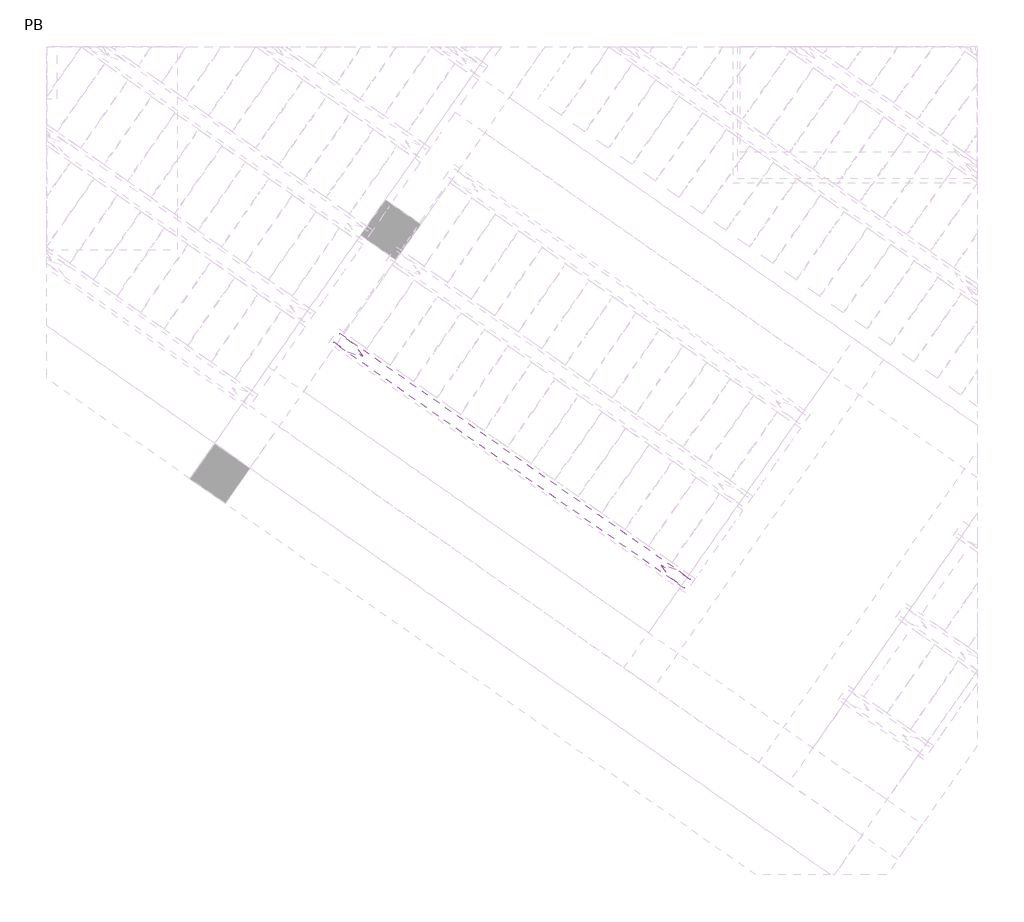
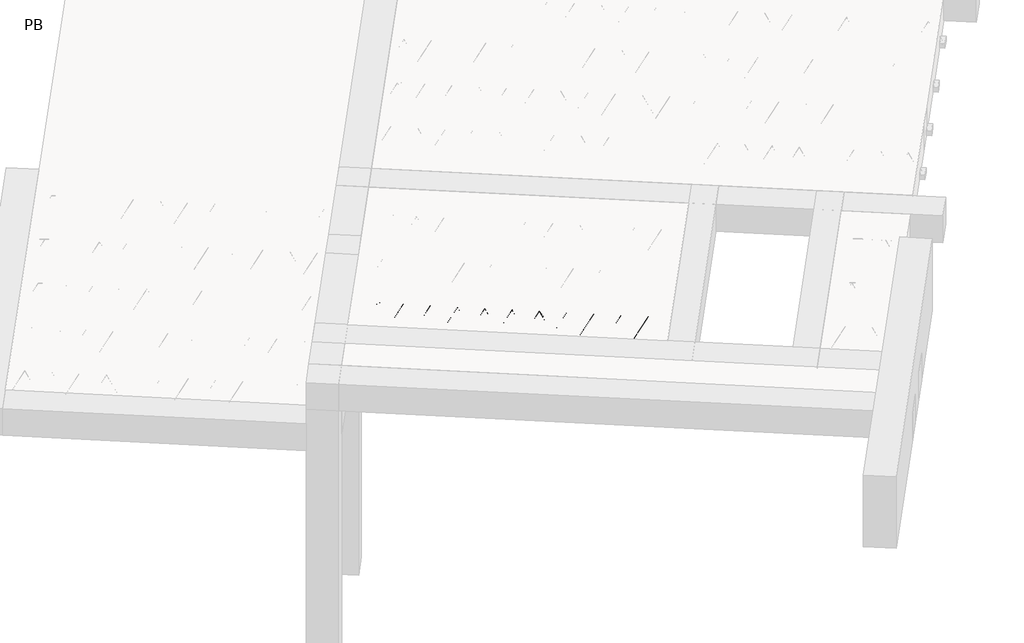
# One storey, part 7 of 56: 1 beam.
"""IFC4 building model written with IfcOpenShell, lengths in millimetres."""

from ifc_helpers import new_model, si_unit, point, frame, origin, origin_2d, place, context, project, spatial, circle_curve, trimmed, segment, composite_curve, outline, extrude, element, save

model = new_model("IFC4")

# Units and contexts
model_context = context("Model", 3, world=origin())
ifc_project = project(units=[si_unit("LENGTHUNIT", "METRE", prefix="MILLI")], contexts=[model_context])

# Site, building, storey
site = spatial("IfcSite", under=ifc_project)
building = spatial("IfcBuilding", under=site)
storey = spatial("IfcBuildingStorey", under=building, Name="PB", Elevation=95940.0)

# Beam
placement = place(None, origin())
element("IfcBeam", 1, at=placement, inside=storey, context=model_context, shape_type="SweptSolid", body=[
    extrude(outline(composite_curve([segment(trimmed(circle_curve(origin_2d(), 2.5), [point((-2.5, 0.0))], [point((2.5, 0.0))], False, "CARTESIAN"), True, "CONTINUOUS"), segment(trimmed(circle_curve(origin_2d(), 2.5), [point((2.5, 0.0))], [point((-2.5, 0.0))], False, "CARTESIAN"), True, "CONTINUOUS")], self_intersect=False)), frame((4194.1130554, -233.610133, 99245.0), z_axis=(-0.8191520442696126, 0.5735764363787226, 0.0), x_axis=(0.5735764363787226, 0.8191520442696126, 0.0)), (0.0, 0.0, 1.0), 2987.184468),
    extrude(outline(composite_curve([segment(trimmed(circle_curve(origin_2d(), 2.5), [point((-2.5, 0.0))], [point((2.5, 0.0))], False, "CARTESIAN"), True, "CONTINUOUS"), segment(trimmed(circle_curve(origin_2d(), 2.5), [point((2.5, 0.0))], [point((-2.5, 0.0))], False, "CARTESIAN"), True, "CONTINUOUS")], self_intersect=False)), frame((4056.1803327, -93.0807156, 99470.0), z_axis=(-0.8191520442696126, 0.5735764363787226, 0.0), x_axis=(0.5735764363787226, 0.8191520442696126, 0.0)), (0.0, 0.0, 1.0), 2600.0),
    extrude(outline(composite_curve([segment(trimmed(circle_curve(origin_2d(), 2.5), [point((-2.5000001, 1e-07))], [point((2.5, 0.0))], False, "CARTESIAN"), True, "CONTINUOUS"), segment(trimmed(circle_curve(origin_2d(), 2.5), [point((2.5, 0.0))], [point((-2.5000001, 1e-07))], False, "CARTESIAN"), True, "CONTINUOUS")], self_intersect=False)), frame((4096.9679844, -165.5884219, 99245.0), z_axis=(-0.3145304735701046, 0.38933448886848654, 0.8657304643902053), x_axis=(0.7778747638402499, 0.6284193279813057, 0.0)), (0.0, 0.0, 1.0), 259.8961331),
    extrude(outline(composite_curve([segment(trimmed(circle_curve(origin_2d(), 2.5), [point((2.5, 0.0))], [point((-2.5, 0.0))], False, "CARTESIAN"), True, "CONTINUOUS"), segment(trimmed(circle_curve(origin_2d(), 2.5), [point((-2.5, 0.0))], [point((2.5, 0.0))], False, "CARTESIAN"), True, "CONTINUOUS")], self_intersect=False)), frame((3892.1799733, -22.1943128, 99245.0), z_axis=(0.47343050384693375, -0.16240172737369005, 0.8657304643902051), x_axis=(-0.3244721671091268, -0.9458952440791246, 0.0)), (0.0, 0.0, 1.0), 259.8961331),
    extrude(outline(composite_curve([segment(trimmed(circle_curve(origin_2d(), 2.5), [point((-2.5, 0.0))], [point((2.5, 0.0))], False, "CARTESIAN"), True, "CONTINUOUS"), segment(trimmed(circle_curve(origin_2d(), 2.5), [point((2.5, 0.0))], [point((-2.5, 0.0))], False, "CARTESIAN"), True, "CONTINUOUS")], self_intersect=False)), frame((3892.1799733, -22.1943128, 99245.0), z_axis=(-0.3145304735701046, 0.38933448886848654, 0.8657304643902053), x_axis=(0.7778747638402499, 0.6284193279813057, 0.0)), (0.0, 0.0, 1.0), 259.8961331),
    extrude(outline(composite_curve([segment(trimmed(circle_curve(origin_2d(), 2.5), [point((2.5, 0.0))], [point((-2.5, 0.0))], False, "CARTESIAN"), True, "CONTINUOUS"), segment(trimmed(circle_curve(origin_2d(), 2.5), [point((-2.5, 0.0))], [point((2.5, 0.0))], False, "CARTESIAN"), True, "CONTINUOUS")], self_intersect=False)), frame((3687.3919622, 121.1997963, 99245.0), z_axis=(0.47343050384693375, -0.16240172737369005, 0.8657304643902051), x_axis=(-0.3244721671091268, -0.9458952440791246, 0.0)), (0.0, 0.0, 1.0), 259.8961331),
    extrude(outline(composite_curve([segment(trimmed(circle_curve(origin_2d(), 2.5), [point((-2.5, 0.0))], [point((2.5, 0.0))], False, "CARTESIAN"), True, "CONTINUOUS"), segment(trimmed(circle_curve(origin_2d(), 2.5), [point((2.5, 0.0))], [point((-2.5, 0.0))], False, "CARTESIAN"), True, "CONTINUOUS")], self_intersect=False)), frame((3687.3919622, 121.1997963, 99245.0), z_axis=(-0.3145304735701046, 0.38933448886848654, 0.8657304643902053), x_axis=(0.7778747638402499, 0.6284193279813057, 0.0)), (0.0, 0.0, 1.0), 259.8961331),
    extrude(outline(composite_curve([segment(trimmed(circle_curve(origin_2d(), 2.5), [point((2.5, -1e-07))], [point((-2.5, 0.0))], False, "CARTESIAN"), True, "CONTINUOUS"), segment(trimmed(circle_curve(origin_2d(), 2.5), [point((-2.5, 0.0))], [point((2.5, -1e-07))], False, "CARTESIAN"), True, "CONTINUOUS")], self_intersect=False)), frame((3482.6039512, 264.5939054, 99245.0), z_axis=(0.47343050384693375, -0.16240172737369005, 0.8657304643902051), x_axis=(-0.3244721671091268, -0.9458952440791246, 0.0)), (0.0, 0.0, 1.0), 259.8961331),
    extrude(outline(composite_curve([segment(trimmed(circle_curve(origin_2d(), 2.5), [point((-2.5, -1e-07))], [point((2.5000001, -1e-07))], False, "CARTESIAN"), True, "CONTINUOUS"), segment(trimmed(circle_curve(origin_2d(), 2.5), [point((2.5000001, -1e-07))], [point((-2.5, -1e-07))], False, "CARTESIAN"), True, "CONTINUOUS")], self_intersect=False)), frame((3482.6039511, 264.5939054, 99245.0), z_axis=(-0.3145304735701046, 0.38933448886848654, 0.8657304643902053), x_axis=(0.7778747638402499, 0.6284193279813057, 0.0)), (0.0, 0.0, 1.0), 259.8961331),
    extrude(outline(composite_curve([segment(trimmed(circle_curve(origin_2d(), 2.5), [point((2.5, 0.0))], [point((-2.5, 0.0))], False, "CARTESIAN"), True, "CONTINUOUS"), segment(trimmed(circle_curve(origin_2d(), 2.5), [point((-2.5, 0.0))], [point((2.5, 0.0))], False, "CARTESIAN"), True, "CONTINUOUS")], self_intersect=False)), frame((3277.8159401, 407.9880145, 99245.0), z_axis=(0.47343050384693375, -0.16240172737369005, 0.8657304643902051), x_axis=(-0.3244721671091268, -0.9458952440791246, 0.0)), (0.0, 0.0, 1.0), 259.8961331),
    extrude(outline(composite_curve([segment(trimmed(circle_curve(origin_2d(), 2.5), [point((-2.5, 0.0))], [point((2.5000001, 0.0))], False, "CARTESIAN"), True, "CONTINUOUS"), segment(trimmed(circle_curve(origin_2d(), 2.5), [point((2.5000001, 0.0))], [point((-2.5, 0.0))], False, "CARTESIAN"), True, "CONTINUOUS")], self_intersect=False)), frame((3277.8159402, 407.9880143, 99245.0), z_axis=(-0.3145304735701046, 0.38933448886848654, 0.8657304643902053), x_axis=(0.7778747638402499, 0.6284193279813057, 0.0)), (0.0, 0.0, 1.0), 259.8961331),
    extrude(outline(composite_curve([segment(trimmed(circle_curve(origin_2d(), 2.5), [point((2.5, 0.0))], [point((-2.5000001, 0.0))], False, "CARTESIAN"), True, "CONTINUOUS"), segment(trimmed(circle_curve(origin_2d(), 2.5), [point((-2.5000001, 0.0))], [point((2.5, 0.0))], False, "CARTESIAN"), True, "CONTINUOUS")], self_intersect=False)), frame((3073.0279292, 551.3821234, 99245.0), z_axis=(0.47343050384693375, -0.16240172737369005, 0.8657304643902051), x_axis=(-0.3244721671091268, -0.9458952440791246, 0.0)), (0.0, 0.0, 1.0), 259.8961331),
    extrude(outline(composite_curve([segment(trimmed(circle_curve(origin_2d(), 2.5), [point((-2.5, 0.0))], [point((2.5, 1e-07))], False, "CARTESIAN"), True, "CONTINUOUS"), segment(trimmed(circle_curve(origin_2d(), 2.5), [point((2.5, 1e-07))], [point((-2.5, 0.0))], False, "CARTESIAN"), True, "CONTINUOUS")], self_intersect=False)), frame((3073.0279292, 551.3821234, 99245.0), z_axis=(-0.3145304735701046, 0.38933448886848654, 0.8657304643902053), x_axis=(0.7778747638402499, 0.6284193279813057, 0.0)), (0.0, 0.0, 1.0), 259.8961331),
    extrude(outline(composite_curve([segment(trimmed(circle_curve(origin_2d(), 2.5), [point((2.5, 0.0))], [point((-2.5, 0.0))], False, "CARTESIAN"), True, "CONTINUOUS"), segment(trimmed(circle_curve(origin_2d(), 2.5), [point((-2.5, 0.0))], [point((2.5, 0.0))], False, "CARTESIAN"), True, "CONTINUOUS")], self_intersect=False)), frame((2868.2399181, 694.7762325, 99245.0), z_axis=(0.47343050384693375, -0.16240172737369005, 0.8657304643902051), x_axis=(-0.3244721671091268, -0.9458952440791246, 0.0)), (0.0, 0.0, 1.0), 259.8961331),
    extrude(outline(composite_curve([segment(trimmed(circle_curve(origin_2d(), 2.5), [point((-2.5, 0.0))], [point((2.5, 1e-07))], False, "CARTESIAN"), True, "CONTINUOUS"), segment(trimmed(circle_curve(origin_2d(), 2.5), [point((2.5, 1e-07))], [point((-2.5, 0.0))], False, "CARTESIAN"), True, "CONTINUOUS")], self_intersect=False)), frame((2868.2399181, 694.7762325, 99245.0), z_axis=(-0.3145304735701046, 0.38933448886848654, 0.8657304643902053), x_axis=(0.7778747638402499, 0.6284193279813057, 0.0)), (0.0, 0.0, 1.0), 259.8961331),
    extrude(outline(composite_curve([segment(trimmed(circle_curve(origin_2d(), 2.5), [point((2.5, 0.0))], [point((-2.5, 1e-07))], False, "CARTESIAN"), True, "CONTINUOUS"), segment(trimmed(circle_curve(origin_2d(), 2.5), [point((-2.5, 1e-07))], [point((2.5, 0.0))], False, "CARTESIAN"), True, "CONTINUOUS")], self_intersect=False)), frame((2663.451907, 838.1703416, 99245.0), z_axis=(0.47343050384693375, -0.16240172737369005, 0.8657304643902051), x_axis=(-0.3244721671091268, -0.9458952440791246, 0.0)), (0.0, 0.0, 1.0), 259.8961331),
    extrude(outline(composite_curve([segment(trimmed(circle_curve(origin_2d(), 2.5), [point((-2.5, 0.0))], [point((2.5000001, 0.0))], False, "CARTESIAN"), True, "CONTINUOUS"), segment(trimmed(circle_curve(origin_2d(), 2.5), [point((2.5000001, 0.0))], [point((-2.5, 0.0))], False, "CARTESIAN"), True, "CONTINUOUS")], self_intersect=False)), frame((2663.451907, 838.1703416, 99245.0), z_axis=(-0.3145304735701046, 0.38933448886848654, 0.8657304643902053), x_axis=(0.7778747638402499, 0.6284193279813057, 0.0)), (0.0, 0.0, 1.0), 259.8961331),
    extrude(outline(composite_curve([segment(trimmed(circle_curve(origin_2d(), 2.5), [point((2.5, 0.0))], [point((-2.5, 0.0))], False, "CARTESIAN"), True, "CONTINUOUS"), segment(trimmed(circle_curve(origin_2d(), 2.5), [point((-2.5, 0.0))], [point((2.5, 0.0))], False, "CARTESIAN"), True, "CONTINUOUS")], self_intersect=False)), frame((2458.663896, 981.5644507, 99245.0), z_axis=(0.47343050384693375, -0.16240172737369005, 0.8657304643902051), x_axis=(-0.3244721671091268, -0.9458952440791246, 0.0)), (0.0, 0.0, 1.0), 259.8961331),
    extrude(outline(composite_curve([segment(trimmed(circle_curve(origin_2d(), 2.5), [point((-2.5, 0.0))], [point((2.5, 0.0))], False, "CARTESIAN"), True, "CONTINUOUS"), segment(trimmed(circle_curve(origin_2d(), 2.5), [point((2.5, 0.0))], [point((-2.5, 0.0))], False, "CARTESIAN"), True, "CONTINUOUS")], self_intersect=False)), frame((2458.663896, 981.5644507, 99245.0), z_axis=(-0.3145304735701046, 0.38933448886848654, 0.8657304643902053), x_axis=(0.7778747638402499, 0.6284193279813057, 0.0)), (0.0, 0.0, 1.0), 259.8961331),
    extrude(outline(composite_curve([segment(trimmed(circle_curve(origin_2d(), 2.5), [point((2.5, 0.0))], [point((-2.5, 0.0))], False, "CARTESIAN"), True, "CONTINUOUS"), segment(trimmed(circle_curve(origin_2d(), 2.5), [point((-2.5, 0.0))], [point((2.5, 0.0))], False, "CARTESIAN"), True, "CONTINUOUS")], self_intersect=False)), frame((2253.8758849, 1124.9585598, 99245.0), z_axis=(0.47343050384693375, -0.16240172737369005, 0.8657304643902051), x_axis=(-0.3244721671091268, -0.9458952440791246, 0.0)), (0.0, 0.0, 1.0), 259.8961331),
    extrude(outline(composite_curve([segment(trimmed(circle_curve(origin_2d(), 2.5), [point((-2.5, 0.0))], [point((2.5, 0.0))], False, "CARTESIAN"), True, "CONTINUOUS"), segment(trimmed(circle_curve(origin_2d(), 2.5), [point((2.5, 0.0))], [point((-2.5, 0.0))], False, "CARTESIAN"), True, "CONTINUOUS")], self_intersect=False)), frame((2253.8758849, 1124.9585598, 99245.0), z_axis=(-0.3145304735701046, 0.38933448886848654, 0.8657304643902053), x_axis=(0.7778747638402499, 0.6284193279813057, 0.0)), (0.0, 0.0, 1.0), 259.8961331),
    extrude(outline(composite_curve([segment(trimmed(circle_curve(origin_2d(), 2.5), [point((2.5, 0.0))], [point((-2.5, 1e-07))], False, "CARTESIAN"), True, "CONTINUOUS"), segment(trimmed(circle_curve(origin_2d(), 2.5), [point((-2.5, 1e-07))], [point((2.5, 0.0))], False, "CARTESIAN"), True, "CONTINUOUS")], self_intersect=False)), frame((2049.0878738, 1268.3526689, 99245.0), z_axis=(0.47343050384693375, -0.16240172737369005, 0.8657304643902051), x_axis=(-0.3244721671091268, -0.9458952440791246, 0.0)), (0.0, 0.0, 1.0), 259.8961331),
    extrude(outline(composite_curve([segment(trimmed(circle_curve(origin_2d(), 2.5), [point((-2.5, 0.0))], [point((2.5000001, -1e-07))], False, "CARTESIAN"), True, "CONTINUOUS"), segment(trimmed(circle_curve(origin_2d(), 2.5), [point((2.5000001, -1e-07))], [point((-2.5, 0.0))], False, "CARTESIAN"), True, "CONTINUOUS")], self_intersect=False)), frame((2049.0878738, 1268.3526689, 99245.0), z_axis=(-0.3145304735701046, 0.38933448886848654, 0.8657304643902053), x_axis=(0.7778747638402499, 0.6284193279813057, 0.0)), (0.0, 0.0, 1.0), 259.8961331),
    extrude(outline(composite_curve([segment(trimmed(circle_curve(origin_2d(), 2.5), [point((2.5, 0.0))], [point((-2.5, 0.0))], False, "CARTESIAN"), True, "CONTINUOUS"), segment(trimmed(circle_curve(origin_2d(), 2.5), [point((-2.5, 0.0))], [point((2.5, 0.0))], False, "CARTESIAN"), True, "CONTINUOUS")], self_intersect=False)), frame((1844.2998628, 1411.746778, 99245.0), z_axis=(0.47343050384693375, -0.16240172737369005, 0.8657304643902051), x_axis=(-0.3244721671091268, -0.9458952440791246, 0.0)), (0.0, 0.0, 1.0), 259.8961331),
    extrude(outline(composite_curve([segment(trimmed(circle_curve(origin_2d(), 2.5), [point((-2.4999999, 0.0))], [point((2.5, 0.0))], False, "CARTESIAN"), True, "CONTINUOUS"), segment(trimmed(circle_curve(origin_2d(), 2.5), [point((2.5, 0.0))], [point((-2.4999999, 0.0))], False, "CARTESIAN"), True, "CONTINUOUS")], self_intersect=False)), frame((4235.4105588, -174.6311858, 99245.0), z_axis=(-0.8191520442696126, 0.5735764363787226, 0.0), x_axis=(0.5735764363787226, 0.8191520442696126, 0.0)), (0.0, 0.0, 1.0), 2987.184468),
    extrude(outline(composite_curve([segment(trimmed(circle_curve(origin_2d(), 2.5), [point((-2.5, 0.0))], [point((2.5, 0.0))], False, "CARTESIAN"), True, "CONTINUOUS"), segment(trimmed(circle_curve(origin_2d(), 2.5), [point((2.5, 0.0))], [point((-2.5, 0.0))], False, "CARTESIAN"), True, "CONTINUOUS")], self_intersect=False)), frame((4138.2654878, -106.6094747, 99245.0), z_axis=(-0.47343050384693375, 0.16240172737369005, 0.8657304643902051), x_axis=(0.3244721671091268, 0.9458952440791246, 0.0)), (0.0, 0.0, 1.0), 259.8961331),
    extrude(outline(composite_curve([segment(trimmed(circle_curve(origin_2d(), 2.5), [point((2.5, 1e-07))], [point((-2.5, 0.0))], False, "CARTESIAN"), True, "CONTINUOUS"), segment(trimmed(circle_curve(origin_2d(), 2.5), [point((-2.5, 0.0))], [point((2.5, 1e-07))], False, "CARTESIAN"), True, "CONTINUOUS")], self_intersect=False)), frame((3933.4774767, 36.7846344, 99245.0), z_axis=(0.3145304735701046, -0.38933448886848654, 0.8657304643902053), x_axis=(-0.7778747638402499, -0.6284193279813057, 0.0)), (0.0, 0.0, 1.0), 259.8961331),
    extrude(outline(composite_curve([segment(trimmed(circle_curve(origin_2d(), 2.5), [point((-2.5, 0.0))], [point((2.5, 0.0))], False, "CARTESIAN"), True, "CONTINUOUS"), segment(trimmed(circle_curve(origin_2d(), 2.5), [point((2.5, 0.0))], [point((-2.5, 0.0))], False, "CARTESIAN"), True, "CONTINUOUS")], self_intersect=False)), frame((3933.4774767, 36.7846344, 99245.0), z_axis=(-0.47343050384693375, 0.16240172737369005, 0.8657304643902051), x_axis=(0.3244721671091268, 0.9458952440791246, 0.0)), (0.0, 0.0, 1.0), 259.8961331),
    extrude(outline(composite_curve([segment(trimmed(circle_curve(origin_2d(), 2.5), [point((2.5, 1e-07))], [point((-2.5, 0.0))], False, "CARTESIAN"), True, "CONTINUOUS"), segment(trimmed(circle_curve(origin_2d(), 2.5), [point((-2.5, 0.0))], [point((2.5, 1e-07))], False, "CARTESIAN"), True, "CONTINUOUS")], self_intersect=False)), frame((3728.6894656, 180.1787435, 99245.0), z_axis=(0.3145304735701046, -0.38933448886848654, 0.8657304643902053), x_axis=(-0.7778747638402499, -0.6284193279813057, 0.0)), (0.0, 0.0, 1.0), 259.8961331),
    extrude(outline(composite_curve([segment(trimmed(circle_curve(origin_2d(), 2.5), [point((-2.5, 0.0))], [point((2.5, -1e-07))], False, "CARTESIAN"), True, "CONTINUOUS"), segment(trimmed(circle_curve(origin_2d(), 2.5), [point((2.5, -1e-07))], [point((-2.5, 0.0))], False, "CARTESIAN"), True, "CONTINUOUS")], self_intersect=False)), frame((3728.6894656, 180.1787435, 99245.0), z_axis=(-0.47343050384693375, 0.16240172737369005, 0.8657304643902051), x_axis=(0.3244721671091268, 0.9458952440791246, 0.0)), (0.0, 0.0, 1.0), 259.8961331),
    extrude(outline(composite_curve([segment(trimmed(circle_curve(origin_2d(), 2.5), [point((2.5, 1e-07))], [point((-2.5, 0.0))], False, "CARTESIAN"), True, "CONTINUOUS"), segment(trimmed(circle_curve(origin_2d(), 2.5), [point((-2.5, 0.0))], [point((2.5, 1e-07))], False, "CARTESIAN"), True, "CONTINUOUS")], self_intersect=False)), frame((3523.9014546, 323.5728526, 99245.0), z_axis=(0.3145304735701046, -0.38933448886848654, 0.8657304643902053), x_axis=(-0.7778747638402499, -0.6284193279813057, 0.0)), (0.0, 0.0, 1.0), 259.8961331),
    extrude(outline(composite_curve([segment(trimmed(circle_curve(origin_2d(), 2.5), [point((-2.5000001, 0.0))], [point((2.5, 0.0))], False, "CARTESIAN"), True, "CONTINUOUS"), segment(trimmed(circle_curve(origin_2d(), 2.5), [point((2.5, 0.0))], [point((-2.5000001, 0.0))], False, "CARTESIAN"), True, "CONTINUOUS")], self_intersect=False)), frame((3523.9014546, 323.5728526, 99245.0), z_axis=(-0.47343050384693375, 0.16240172737369005, 0.8657304643902051), x_axis=(0.3244721671091268, 0.9458952440791246, 0.0)), (0.0, 0.0, 1.0), 259.8961331),
    extrude(outline(composite_curve([segment(trimmed(circle_curve(origin_2d(), 2.5), [point((2.5, 0.0))], [point((-2.5, -1e-07))], False, "CARTESIAN"), True, "CONTINUOUS"), segment(trimmed(circle_curve(origin_2d(), 2.5), [point((-2.5, -1e-07))], [point((2.5, 0.0))], False, "CARTESIAN"), True, "CONTINUOUS")], self_intersect=False)), frame((3319.1134435, 466.9669616, 99245.0), z_axis=(0.3145304735701046, -0.38933448886848654, 0.8657304643902053), x_axis=(-0.7778747638402499, -0.6284193279813057, 0.0)), (0.0, 0.0, 1.0), 259.8961331),
    extrude(outline(composite_curve([segment(trimmed(circle_curve(origin_2d(), 2.5), [point((-2.5, 1e-07))], [point((2.5, 0.0))], False, "CARTESIAN"), True, "CONTINUOUS"), segment(trimmed(circle_curve(origin_2d(), 2.5), [point((2.5, 0.0))], [point((-2.5, 1e-07))], False, "CARTESIAN"), True, "CONTINUOUS")], self_intersect=False)), frame((3319.1134437, 466.9669615, 99245.0), z_axis=(-0.47343050384693375, 0.16240172737369005, 0.8657304643902051), x_axis=(0.3244721671091268, 0.9458952440791246, 0.0)), (0.0, 0.0, 1.0), 259.8961331),
    extrude(outline(composite_curve([segment(trimmed(circle_curve(origin_2d(), 2.5), [point((2.5, 0.0))], [point((-2.5, 0.0))], False, "CARTESIAN"), True, "CONTINUOUS"), segment(trimmed(circle_curve(origin_2d(), 2.5), [point((-2.5, 0.0))], [point((2.5, 0.0))], False, "CARTESIAN"), True, "CONTINUOUS")], self_intersect=False)), frame((3114.3254326, 610.3610706, 99245.0), z_axis=(0.3145304735701046, -0.38933448886848654, 0.8657304643902053), x_axis=(-0.7778747638402499, -0.6284193279813057, 0.0)), (0.0, 0.0, 1.0), 259.8961331),
    extrude(outline(composite_curve([segment(trimmed(circle_curve(origin_2d(), 2.5), [point((-2.5, 0.0))], [point((2.5, 0.0))], False, "CARTESIAN"), True, "CONTINUOUS"), segment(trimmed(circle_curve(origin_2d(), 2.5), [point((2.5, 0.0))], [point((-2.5, 0.0))], False, "CARTESIAN"), True, "CONTINUOUS")], self_intersect=False)), frame((3114.3254326, 610.3610706, 99245.0), z_axis=(-0.47343050384693375, 0.16240172737369005, 0.8657304643902051), x_axis=(0.3244721671091268, 0.9458952440791246, 0.0)), (0.0, 0.0, 1.0), 259.8961331),
    extrude(outline(composite_curve([segment(trimmed(circle_curve(origin_2d(), 2.5), [point((2.5, 0.0))], [point((-2.5, 0.0))], False, "CARTESIAN"), True, "CONTINUOUS"), segment(trimmed(circle_curve(origin_2d(), 2.5), [point((-2.5, 0.0))], [point((2.5, 0.0))], False, "CARTESIAN"), True, "CONTINUOUS")], self_intersect=False)), frame((2909.5374215, 753.7551797, 99245.0), z_axis=(0.3145304735701046, -0.38933448886848654, 0.8657304643902053), x_axis=(-0.7778747638402499, -0.6284193279813057, 0.0)), (0.0, 0.0, 1.0), 259.8961331),
    extrude(outline(composite_curve([segment(trimmed(circle_curve(origin_2d(), 2.5), [point((-2.5, 0.0))], [point((2.5, 0.0))], False, "CARTESIAN"), True, "CONTINUOUS"), segment(trimmed(circle_curve(origin_2d(), 2.5), [point((2.5, 0.0))], [point((-2.5, 0.0))], False, "CARTESIAN"), True, "CONTINUOUS")], self_intersect=False)), frame((2909.5374215, 753.7551797, 99245.0), z_axis=(-0.47343050384693375, 0.16240172737369005, 0.8657304643902051), x_axis=(0.3244721671091268, 0.9458952440791246, 0.0)), (0.0, 0.0, 1.0), 259.8961331),
    extrude(outline(composite_curve([segment(trimmed(circle_curve(origin_2d(), 2.5), [point((2.5, 0.0))], [point((-2.5, 0.0))], False, "CARTESIAN"), True, "CONTINUOUS"), segment(trimmed(circle_curve(origin_2d(), 2.5), [point((-2.5, 0.0))], [point((2.5, 0.0))], False, "CARTESIAN"), True, "CONTINUOUS")], self_intersect=False)), frame((2704.7494105, 897.1492888, 99245.0), z_axis=(0.3145304735701046, -0.38933448886848654, 0.8657304643902053), x_axis=(-0.7778747638402499, -0.6284193279813057, 0.0)), (0.0, 0.0, 1.0), 259.8961331),
    extrude(outline(composite_curve([segment(trimmed(circle_curve(origin_2d(), 2.5), [point((-2.5, 1e-07))], [point((2.5, 0.0))], False, "CARTESIAN"), True, "CONTINUOUS"), segment(trimmed(circle_curve(origin_2d(), 2.5), [point((2.5, 0.0))], [point((-2.5, 1e-07))], False, "CARTESIAN"), True, "CONTINUOUS")], self_intersect=False)), frame((2704.7494105, 897.1492888, 99245.0), z_axis=(-0.47343050384693375, 0.16240172737369005, 0.8657304643902051), x_axis=(0.3244721671091268, 0.9458952440791246, 0.0)), (0.0, 0.0, 1.0), 259.8961331),
    extrude(outline(composite_curve([segment(trimmed(circle_curve(origin_2d(), 2.5), [point((2.5, 0.0))], [point((-2.5, 0.0))], False, "CARTESIAN"), True, "CONTINUOUS"), segment(trimmed(circle_curve(origin_2d(), 2.5), [point((-2.5, 0.0))], [point((2.5, 0.0))], False, "CARTESIAN"), True, "CONTINUOUS")], self_intersect=False)), frame((2499.9613994, 1040.5433979, 99245.0), z_axis=(0.3145304735701046, -0.38933448886848654, 0.8657304643902053), x_axis=(-0.7778747638402499, -0.6284193279813057, 0.0)), (0.0, 0.0, 1.0), 259.8961331),
    extrude(outline(composite_curve([segment(trimmed(circle_curve(origin_2d(), 2.5), [point((-2.5, 0.0))], [point((2.5, 0.0))], False, "CARTESIAN"), True, "CONTINUOUS"), segment(trimmed(circle_curve(origin_2d(), 2.5), [point((2.5, 0.0))], [point((-2.5, 0.0))], False, "CARTESIAN"), True, "CONTINUOUS")], self_intersect=False)), frame((2499.9613994, 1040.5433979, 99245.0), z_axis=(-0.47343050384693375, 0.16240172737369005, 0.8657304643902051), x_axis=(0.3244721671091268, 0.9458952440791246, 0.0)), (0.0, 0.0, 1.0), 259.8961331),
    extrude(outline(composite_curve([segment(trimmed(circle_curve(origin_2d(), 2.5), [point((2.5, 0.0))], [point((-2.5, 0.0))], False, "CARTESIAN"), True, "CONTINUOUS"), segment(trimmed(circle_curve(origin_2d(), 2.5), [point((-2.5, 0.0))], [point((2.5, 0.0))], False, "CARTESIAN"), True, "CONTINUOUS")], self_intersect=False)), frame((2295.1733883, 1183.937507, 99245.0), z_axis=(0.3145304735701046, -0.38933448886848654, 0.8657304643902053), x_axis=(-0.7778747638402499, -0.6284193279813057, 0.0)), (0.0, 0.0, 1.0), 259.8961331),
    extrude(outline(composite_curve([segment(trimmed(circle_curve(origin_2d(), 2.5), [point((-2.5, 0.0))], [point((2.5, 0.0))], False, "CARTESIAN"), True, "CONTINUOUS"), segment(trimmed(circle_curve(origin_2d(), 2.5), [point((2.5, 0.0))], [point((-2.5, 0.0))], False, "CARTESIAN"), True, "CONTINUOUS")], self_intersect=False)), frame((2295.1733883, 1183.937507, 99245.0), z_axis=(-0.47343050384693375, 0.16240172737369005, 0.8657304643902051), x_axis=(0.3244721671091268, 0.9458952440791246, 0.0)), (0.0, 0.0, 1.0), 259.8961331),
    extrude(outline(composite_curve([segment(trimmed(circle_curve(origin_2d(), 2.5), [point((2.5, 0.0))], [point((-2.5, 0.0))], False, "CARTESIAN"), True, "CONTINUOUS"), segment(trimmed(circle_curve(origin_2d(), 2.5), [point((-2.5, 0.0))], [point((2.5, 0.0))], False, "CARTESIAN"), True, "CONTINUOUS")], self_intersect=False)), frame((2090.3853773, 1327.3316161, 99245.0), z_axis=(0.3145304735701046, -0.38933448886848654, 0.8657304643902053), x_axis=(-0.7778747638402499, -0.6284193279813057, 0.0)), (0.0, 0.0, 1.0), 259.8961331),
    extrude(outline(composite_curve([segment(trimmed(circle_curve(origin_2d(), 2.5), [point((-2.5, 1e-07))], [point((2.5, 0.0))], False, "CARTESIAN"), True, "CONTINUOUS"), segment(trimmed(circle_curve(origin_2d(), 2.5), [point((2.5, 0.0))], [point((-2.5, 1e-07))], False, "CARTESIAN"), True, "CONTINUOUS")], self_intersect=False)), frame((2090.3853773, 1327.3316161, 99245.0), z_axis=(-0.47343050384693375, 0.16240172737369005, 0.8657304643902051), x_axis=(0.3244721671091268, 0.9458952440791246, 0.0)), (0.0, 0.0, 1.0), 259.8961331),
    extrude(outline(composite_curve([segment(trimmed(circle_curve(origin_2d(), 2.5), [point((2.5, 0.0))], [point((-2.5, 0.0))], False, "CARTESIAN"), True, "CONTINUOUS"), segment(trimmed(circle_curve(origin_2d(), 2.5), [point((-2.5, 0.0))], [point((2.5, 0.0))], False, "CARTESIAN"), True, "CONTINUOUS")], self_intersect=False)), frame((1885.5973662, 1470.7257252, 99245.0), z_axis=(0.3145304735701046, -0.38933448886848654, 0.8657304643902053), x_axis=(-0.7778747638402499, -0.6284193279813057, 0.0)), (0.0, 0.0, 1.0), 259.8961331),
])

save(model, "model.ifc")
